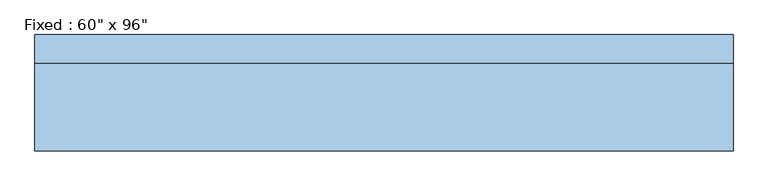
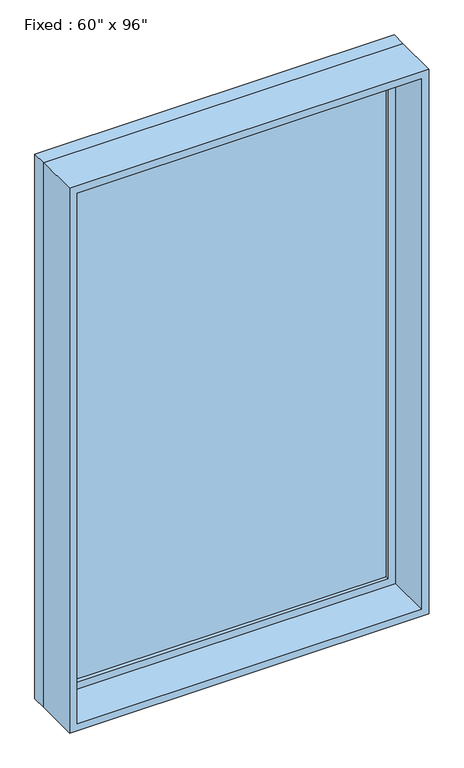
"""IFC4 building model written with IfcOpenShell, lengths in millimetres: window geometry."""

from ifc_helpers import new_model, si_unit, frame, origin, place, context, project, spatial, polyline, outline, extrude, source, transform, mapped, element, save


def window_689ce0e3(model_context):
    return source(origin(), model_context, "Body", "SweptSolid", [
        extrude(outline(polyline([(660.4, 79.375), (-736.6, 79.375), (-736.6, 92.075), (660.4, 92.075), (660.4, 79.375)])), frame((0.0, 0.0, 368.3), z_axis=(0.0, 0.0, 1.0), x_axis=(1.0, 0.0, 0.0)), (0.0, 0.0, 1.0), 2311.4),
        extrude(outline(polyline([(2724.15, -781.05), (323.85, -781.05), (323.85, 704.85), (2724.15, 704.85), (2724.15, -781.05)]), holes=[polyline([(2679.7, -736.6), (2679.7, 660.4), (368.3, 660.4), (368.3, -736.6), (2679.7, -736.6)])]), frame((0.0, 63.5, 0.0), z_axis=(0.0, 1.0, 0.0), x_axis=(0.0, 0.0, 1.0)), (0.0, 0.0, 1.0), 44.45),
        extrude(outline(polyline([(2743.2, -800.1), (304.8, -800.1), (304.8, 723.9), (2743.2, 723.9), (2743.2, -800.1)]), holes=[polyline([(2711.45, -768.35), (2711.45, 692.15), (336.55, 692.15), (336.55, -768.35), (2711.45, -768.35)])]), frame((0.0, -127.0, 0.0), z_axis=(0.0, 1.0, 0.0), x_axis=(0.0, 0.0, 1.0)), (0.0, 0.0, 1.0), 190.5),
        extrude(outline(polyline([(2743.2, 723.9), (2743.2, -800.1), (304.8, -800.1), (304.8, 723.9), (2743.2, 723.9)]), holes=[polyline([(2724.15, 704.85), (323.85, 704.85), (323.85, -781.05), (2724.15, -781.05), (2724.15, 704.85)])]), frame((0.0, 63.5, 0.0), z_axis=(0.0, 1.0, 0.0), x_axis=(0.0, 0.0, 1.0)), (0.0, 0.0, 1.0), 63.5),
    ])


if __name__ == "__main__":
    model = new_model("IFC4")
    model_context = context("Model", 3, world=origin())
    ifc_project = project(units=[si_unit("LENGTHUNIT", "METRE", prefix="MILLI")], contexts=[model_context])
    site = spatial("IfcSite", under=ifc_project)
    building = spatial("IfcBuilding", under=site)
    placement = place(None, origin())
    window_shape = window_689ce0e3(model_context)
    element("IfcWindow", 1, ObjectType="Fixed : 60\" x 96\"", at=placement, inside=building, context=model_context, shape_type="MappedRepresentation", body=[
        mapped(window_shape, transform((0.0, 0.0, 0.0), x_axis=(1.0, 0.0, 0.0), y_axis=(0.0, 1.0, 0.0), z_axis=(0.0, 0.0, 1.0))),
    ])
    save(model, "model.ifc")
